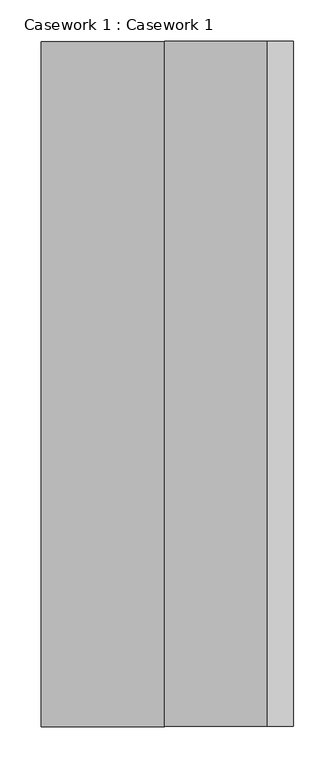
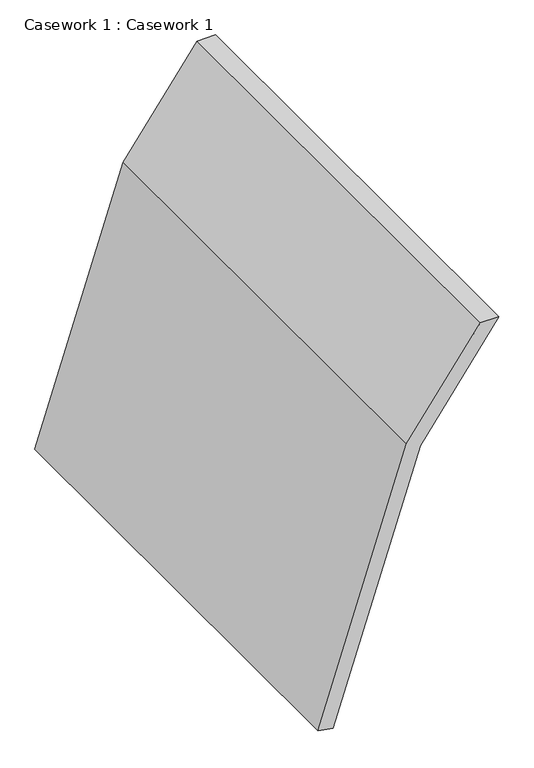
"""IFC4 building model written with IfcOpenShell, lengths in millimetres: furniture geometry, Casework 1 : Casework 1."""

from ifc_helpers import new_model, si_unit, frame, origin, place, context, project, spatial, polyline, outline, extrude, source, transform, mapped, element, save


def casework_1_casework_1_1971c94a(model_context):
    return source(origin(), model_context, "Body", "SweptSolid", [
        extrude(outline(polyline([(863.6, 210216.5379676), (863.6, 210185.1959693), (691.6336111, 210060.8795674), (232.8225264, 209911.8028091), (228.6, 209937.1379676), (679.9879865, 210083.8028151), (863.6, 210216.5379676)])), frame((0.0, -261205.626838, 0.0), z_axis=(0.0, 1.0, 0.0), x_axis=(0.0, 0.0, 1.0)), (0.0, 0.0, 1.0), 827.1937689),
    ])


if __name__ == "__main__":
    model = new_model("IFC4")
    model_context = context("Model", 3, world=origin())
    ifc_project = project(units=[si_unit("LENGTHUNIT", "METRE", prefix="MILLI")], contexts=[model_context])
    site = spatial("IfcSite", under=ifc_project)
    building = spatial("IfcBuilding", under=site)
    placement = place(None, origin())
    casework_1_casework_1_shape = casework_1_casework_1_1971c94a(model_context)
    element("IfcFurniture", 1, ObjectType="Casework 1 : Casework 1", at=placement, inside=building, context=model_context, shape_type="MappedRepresentation", body=[
        mapped(casework_1_casework_1_shape, transform((0.0, 0.0, 0.0), x_axis=(1.0, 0.0, 0.0), y_axis=(0.0, 1.0, 0.0), z_axis=(0.0, 0.0, 1.0))),
    ])
    save(model, "model.ifc")
